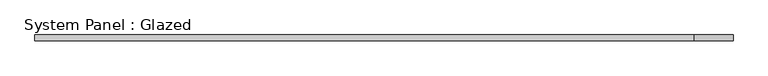
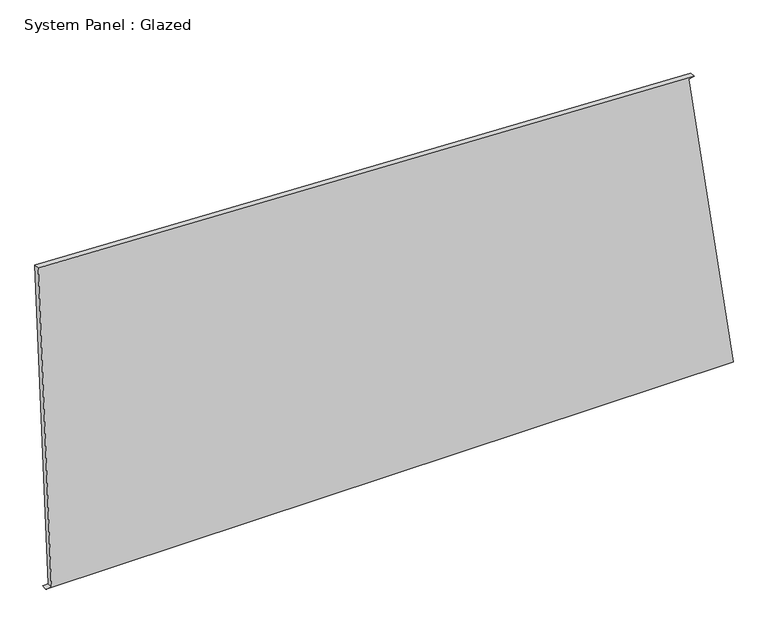
"""IFC4 building model written with IfcOpenShell, lengths in millimetres: plate geometry, System Panel : Glazed."""

from ifc_helpers import new_model, si_unit, frame, origin, place, context, project, spatial, polyline, outline, extrude, source, transform, mapped, element, save


def system_panel_glazed_14e94f60(model_context):
    return source(origin(), model_context, "Body", "SweptSolid", [
        extrude(outline(polyline([(0.0, -1516.367357), (0.0, 1550.2670249), (1404.5036363, 1351.6409591), (1408.0043237, 1376.3946495), (1528.0509442, -1550.2670249), (0.9632286, -1491.38592), (0.0, -1516.367357)])), frame((0.0, -49.5, 0.0), z_axis=(0.0, 1.0, 0.0), x_axis=(0.0, 0.0, 1.0)), (0.0, 0.0, 1.0), 25.0),
    ])


if __name__ == "__main__":
    model = new_model("IFC4")
    model_context = context("Model", 3, world=origin())
    ifc_project = project(units=[si_unit("LENGTHUNIT", "METRE", prefix="MILLI")], contexts=[model_context])
    site = spatial("IfcSite", under=ifc_project)
    building = spatial("IfcBuilding", under=site)
    placement = place(None, origin())
    system_panel_glazed_shape = system_panel_glazed_14e94f60(model_context)
    element("IfcPlate", 1, ObjectType="System Panel : Glazed", at=placement, inside=building, context=model_context, shape_type="MappedRepresentation", body=[
        mapped(system_panel_glazed_shape, transform((0.0, 0.0, 0.0), x_axis=(1.0, 0.0, 0.0), y_axis=(0.0, 1.0, 0.0), z_axis=(0.0, 0.0, 1.0))),
    ])
    save(model, "model.ifc")
